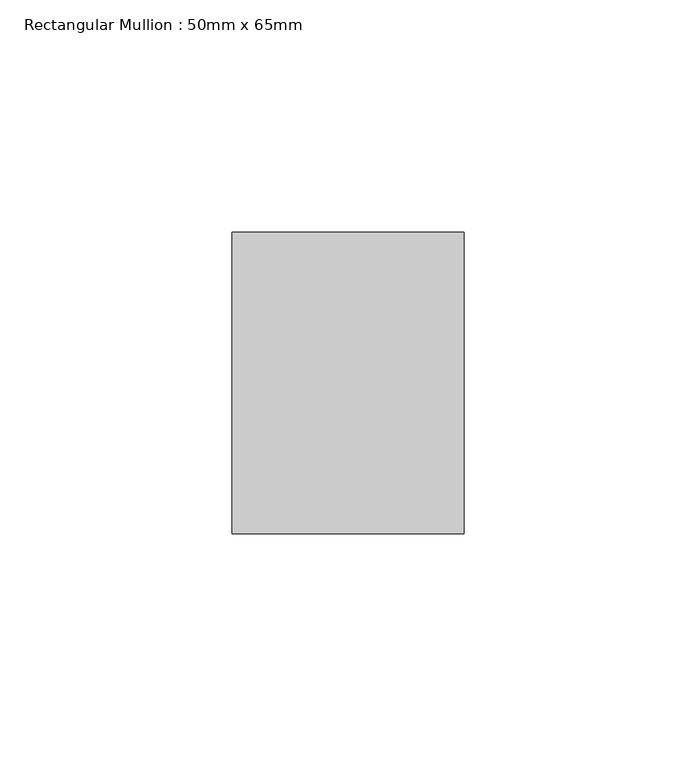
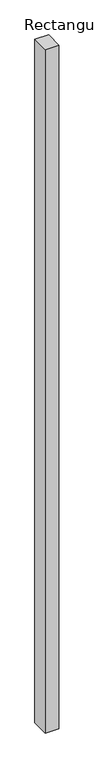
"""IFC4 building model written with IfcOpenShell, lengths in millimetres: member geometry, Rectangular Mullion : 50mm x 65mm."""

from ifc_helpers import new_model, si_unit, frame, origin, place, context, project, spatial, polyline, outline, extrude, source, transform, mapped, element, save


def rectangular_mullion_50mm_x_65mm_03349351(model_context):
    return source(origin(), model_context, "Body", "SweptSolid", [
        extrude(outline(polyline([(25.0, 32.5), (25.0, -32.5), (-25.0, -32.5), (-25.0, 32.5), (25.0, 32.5)])), frame((0.0, 0.0, -2625.0750628), z_axis=(0.0, 0.0, 1.0), x_axis=(1.0, 0.0, 0.0)), (0.0, 0.0, 1.0), 2625.0750628),
    ])


if __name__ == "__main__":
    model = new_model("IFC4")
    model_context = context("Model", 3, world=origin())
    ifc_project = project(units=[si_unit("LENGTHUNIT", "METRE", prefix="MILLI")], contexts=[model_context])
    site = spatial("IfcSite", under=ifc_project)
    building = spatial("IfcBuilding", under=site)
    placement = place(None, origin())
    rectangular_mullion_50mm_x_65mm_shape = rectangular_mullion_50mm_x_65mm_03349351(model_context)
    element("IfcMember", 1, ObjectType="Rectangular Mullion : 50mm x 65mm", at=placement, inside=building, context=model_context, shape_type="MappedRepresentation", body=[
        mapped(rectangular_mullion_50mm_x_65mm_shape, transform((0.0, 0.0, 0.0), x_axis=(1.0, 0.0, 0.0), y_axis=(0.0, 1.0, 0.0), z_axis=(0.0, 0.0, 1.0))),
    ])
    save(model, "model.ifc")
